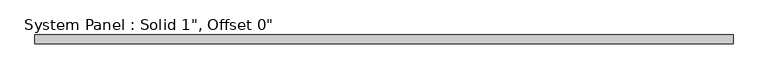
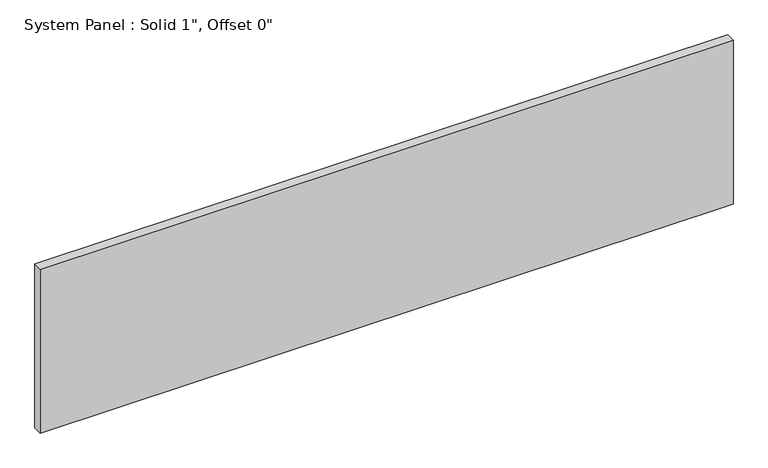
"""IFC4 building model written with IfcOpenShell, lengths in millimetres: plate geometry."""

from ifc_helpers import new_model, si_unit, origin, origin_with_axes, place, context, project, spatial, polyline, outline, extrude, source, transform, mapped, element, save


def plate_67858efd(model_context):
    return source(origin(), model_context, "Body", "SweptSolid", [
        extrude(outline(polyline([(976.1660647, -12.7), (-976.1660647, -12.7), (-976.1660647, 12.7), (976.1660647, 12.7), (976.1660647, -12.7)])), origin_with_axes(), (0.0, 0.0, 1.0), 488.3443174),
    ])


if __name__ == "__main__":
    model = new_model("IFC4")
    model_context = context("Model", 3, world=origin())
    ifc_project = project(units=[si_unit("LENGTHUNIT", "METRE", prefix="MILLI")], contexts=[model_context])
    site = spatial("IfcSite", under=ifc_project)
    building = spatial("IfcBuilding", under=site)
    placement = place(None, origin())
    plate_shape = plate_67858efd(model_context)
    element("IfcPlate", 1, ObjectType="System Panel : Solid 1\", Offset 0\"", at=placement, inside=building, context=model_context, shape_type="MappedRepresentation", body=[
        mapped(plate_shape, transform((0.0, 0.0, 0.0), x_axis=(1.0, 0.0, 0.0), y_axis=(0.0, 1.0, 0.0), z_axis=(0.0, 0.0, 1.0))),
    ])
    save(model, "model.ifc")
